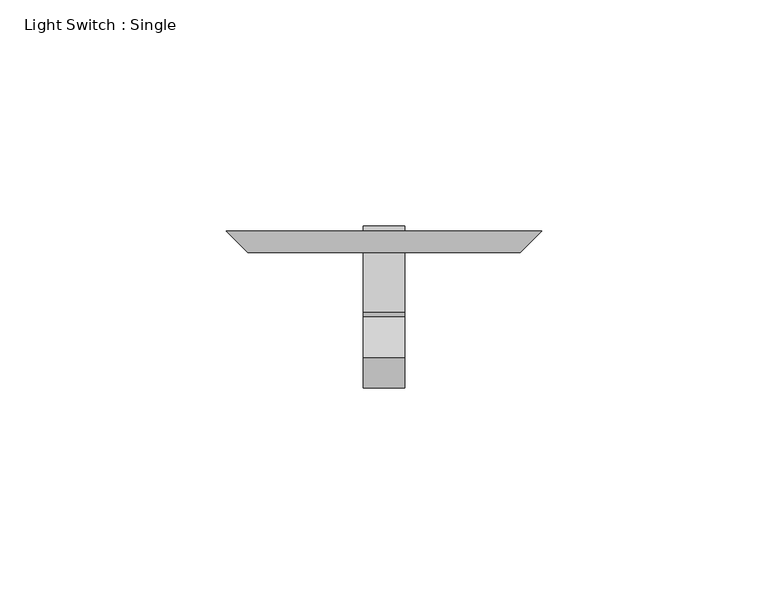
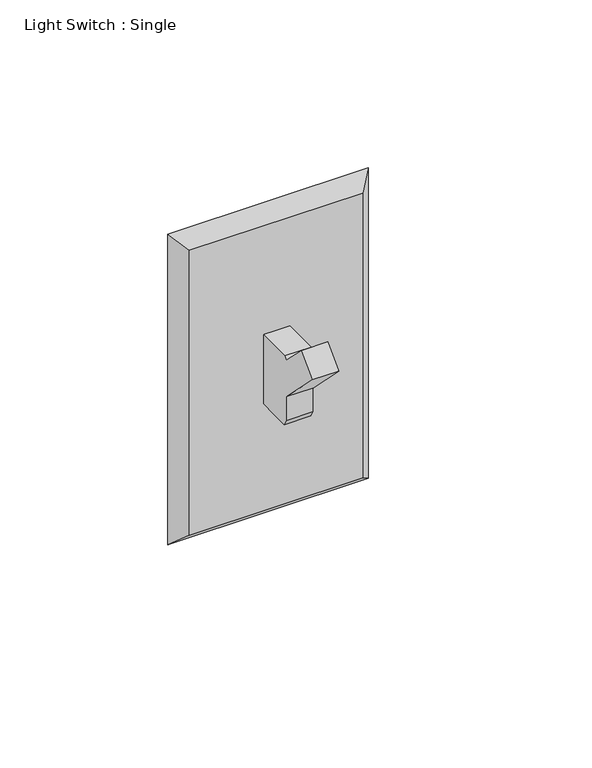
"""IFC4 building model written with IfcOpenShell, lengths in millimetres: proxy geometry, Light Switch : Single."""

from ifc_helpers import new_model, si_unit, frame, origin, place, context, project, spatial, polyline, outline, extrude, faceted_brep, source, transform, mapped, element, save


def light_switch_single_e0e5842f(model_context):
    return source(origin(), model_context, "Body", "SolidModel", [
        faceted_brep([(-30.1625, -66.675, 357.1875), (-30.1625, -66.675, 252.4125), (30.1625, -66.675, 252.4125), (30.1625, -66.675, 357.1875), (-34.925, -61.9125, 361.95), (34.925, -61.9125, 361.95), (34.925, -61.9125, 247.65), (-34.925, -61.9125, 247.65)], [[[0, 1, 2, 3]], [[4, 5, 6, 7]], [[4, 0, 3, 5]], [[5, 3, 2, 6]], [[6, 2, 1, 7]], [[7, 1, 0, 4]]]),
        extrude(outline(polyline([(-89.9427561, 325.4978515), (-80.9625, 316.5175954), (-79.9800954, 317.5), (-60.8233809, 317.5), (-60.8233809, 292.1), (-79.7227829, 292.1), (-80.9625, 294.247253), (-80.9625, 303.0472112), (-96.6779482, 318.7626595), (-89.9427561, 325.4978515)])), frame((-4.6077278, 0.0, 0.0), z_axis=(1.0, 0.0, 0.0), x_axis=(0.0, 1.0, 0.0)), (0.0, 0.0, 1.0), 9.2225805),
    ])


if __name__ == "__main__":
    model = new_model("IFC4")
    model_context = context("Model", 3, world=origin())
    ifc_project = project(units=[si_unit("LENGTHUNIT", "METRE", prefix="MILLI")], contexts=[model_context])
    site = spatial("IfcSite", under=ifc_project)
    building = spatial("IfcBuilding", under=site)
    placement = place(None, origin())
    light_switch_single_shape = light_switch_single_e0e5842f(model_context)
    element("IfcBuildingElementProxy", 1, Name="Light Switch : Single", ObjectType="Light Switch : Single", at=placement, inside=building, context=model_context, shape_type="MappedRepresentation", body=[
        mapped(light_switch_single_shape, transform((0.0, 0.0, 0.0), x_axis=(1.0, 0.0, 0.0), y_axis=(0.0, 1.0, 0.0), z_axis=(0.0, 0.0, 1.0))),
    ])
    save(model, "model.ifc")
